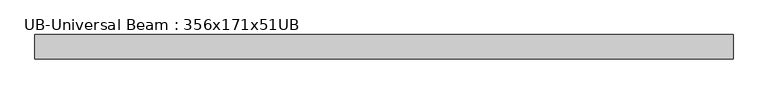
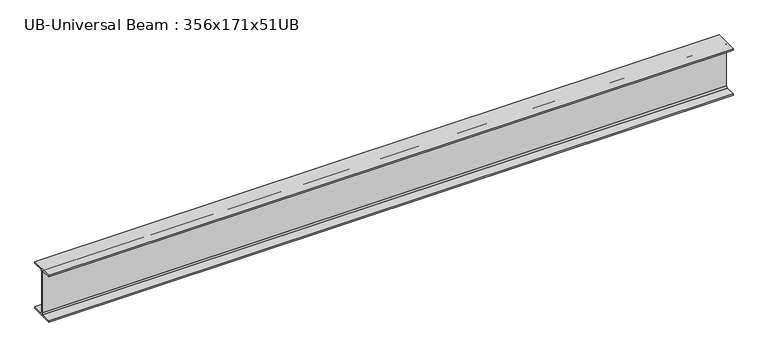
"""IFC4 building model written with IfcOpenShell, lengths in millimetres: beam geometry, UB-Universal Beam : 356x171x51UB."""

from ifc_helpers import new_model, si_unit, point, frame, frame_2d, origin, place, context, project, spatial, polyline, circle_curve, trimmed, segment, composite_curve, outline, extrude, source, transform, mapped, element, save


def ub_universal_beam_356x171x51ub_dbef06db(model_context):
    return source(origin(), model_context, "Body", "SweptSolid", [
        extrude(outline(composite_curve([segment(polyline([(85.75, -166.0), (85.75, -177.5), (-85.75, -177.5), (-85.75, -166.0), (-13.9, -166.0)]), True, "CONTINUOUS"), segment(trimmed(circle_curve(frame_2d((-13.9, -155.8)), 10.2), [point((-13.9, -166.0))], [point((-3.7, -155.8))], True, "CARTESIAN"), True, "CONTINUOUS"), segment(polyline([(-3.7, -155.8), (-3.7, 155.8)]), True, "CONTINUOUS"), segment(trimmed(circle_curve(frame_2d((-13.9, 155.8)), 10.2), [point((-3.7, 155.8))], [point((-13.9, 166.0))], True, "CARTESIAN"), True, "CONTINUOUS"), segment(polyline([(-13.9, 166.0), (-85.75, 166.0), (-85.75, 177.5), (85.75, 177.5), (85.75, 166.0), (13.9, 166.0)]), True, "CONTINUOUS"), segment(trimmed(circle_curve(frame_2d((13.9, 155.8)), 10.2), [point((13.9, 166.0))], [point((3.7, 155.8))], True, "CARTESIAN"), True, "CONTINUOUS"), segment(polyline([(3.7, 155.8), (3.7, -155.8)]), True, "CONTINUOUS"), segment(trimmed(circle_curve(frame_2d((13.9, -155.8)), 10.2), [point((3.7, -155.8))], [point((13.9, -166.0))], True, "CARTESIAN"), True, "CONTINUOUS"), segment(polyline([(13.9, -166.0), (85.75, -166.0)]), True, "CONTINUOUS")], self_intersect=False)), frame((-2455.3, 0.0, 0.0), z_axis=(1.0, 0.0, 0.0), x_axis=(0.0, 1.0, 0.0)), (0.0, 0.0, 1.0), 4910.6),
    ])


if __name__ == "__main__":
    model = new_model("IFC4")
    model_context = context("Model", 3, world=origin())
    ifc_project = project(units=[si_unit("LENGTHUNIT", "METRE", prefix="MILLI")], contexts=[model_context])
    site = spatial("IfcSite", under=ifc_project)
    building = spatial("IfcBuilding", under=site)
    placement = place(None, origin())
    ub_universal_beam_356x171x51ub_shape = ub_universal_beam_356x171x51ub_dbef06db(model_context)
    element("IfcBeam", 1, ObjectType="UB-Universal Beam : 356x171x51UB", at=placement, inside=building, context=model_context, shape_type="MappedRepresentation", body=[
        mapped(ub_universal_beam_356x171x51ub_shape, transform((0.0, 0.0, 0.0), x_axis=(1.0, 0.0, 0.0), y_axis=(0.0, 1.0, 0.0), z_axis=(0.0, 0.0, 1.0))),
    ])
    save(model, "model.ifc")
